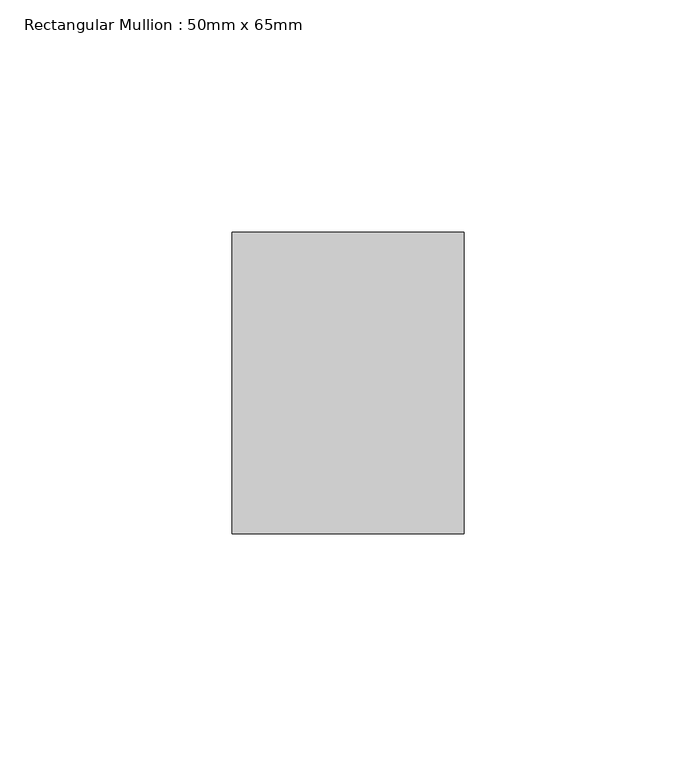
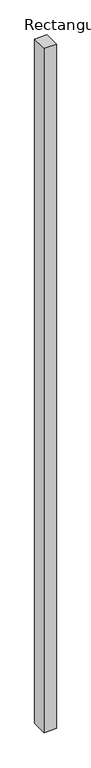
"""IFC4 building model written with IfcOpenShell, lengths in millimetres: member geometry, Rectangular Mullion : 50mm x 65mm."""

from ifc_helpers import new_model, si_unit, frame, origin, place, context, project, spatial, polyline, outline, extrude, source, transform, mapped, element, save


def rectangular_mullion_50mm_x_65mm_f2d16594(model_context):
    return source(origin(), model_context, "Body", "SweptSolid", [
        extrude(outline(polyline([(25.0, 32.5), (25.0, -32.5), (-25.0, -32.5), (-25.0, 32.5), (25.0, 32.5)])), frame((0.0, 0.0, -2924.9802803), z_axis=(0.0, 0.0, 1.0), x_axis=(1.0, 0.0, 0.0)), (0.0, 0.0, 1.0), 2924.9802803),
    ])


if __name__ == "__main__":
    model = new_model("IFC4")
    model_context = context("Model", 3, world=origin())
    ifc_project = project(units=[si_unit("LENGTHUNIT", "METRE", prefix="MILLI")], contexts=[model_context])
    site = spatial("IfcSite", under=ifc_project)
    building = spatial("IfcBuilding", under=site)
    placement = place(None, origin())
    rectangular_mullion_50mm_x_65mm_shape = rectangular_mullion_50mm_x_65mm_f2d16594(model_context)
    element("IfcMember", 1, ObjectType="Rectangular Mullion : 50mm x 65mm", at=placement, inside=building, context=model_context, shape_type="MappedRepresentation", body=[
        mapped(rectangular_mullion_50mm_x_65mm_shape, transform((0.0, 0.0, 0.0), x_axis=(1.0, 0.0, 0.0), y_axis=(0.0, 1.0, 0.0), z_axis=(0.0, 0.0, 1.0))),
    ])
    save(model, "model.ifc")
